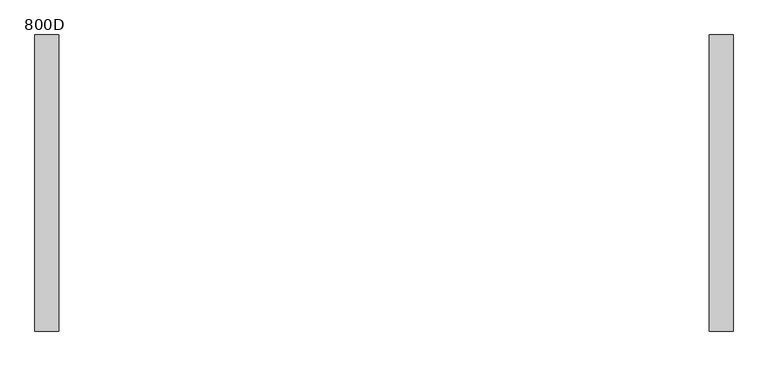
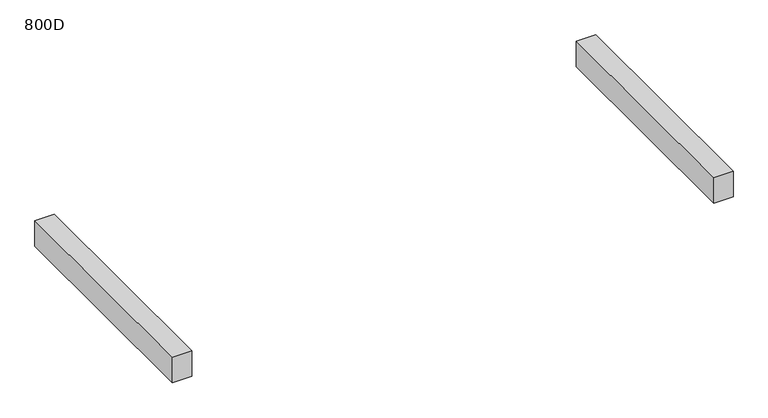
"""IFC4 building model written with IfcOpenShell, lengths in millimetres: furniture geometry, 800D."""

from ifc_helpers import new_model, si_unit, frame, origin, place, context, project, spatial, polyline, outline, extrude, source, transform, mapped, element, save


def furniture_800d_995001d7(model_context):
    return source(origin(), model_context, "Body", "SweptSolid", [
        extrude(outline(polyline([(-809.9999968, -369.0), (-870.0, -369.0), (-870.0, 369.0), (-809.9999968, 369.0), (-809.9999968, -369.0)])), frame((0.0, 0.0, 435.0), z_axis=(0.0, 0.0, 1.0), x_axis=(1.0, 0.0, 0.0)), (0.0, 0.0, 1.0), 84.0),
        extrude(outline(polyline([(870.0, -369.0), (809.9999968, -369.0), (809.9999968, 369.0), (870.0, 369.0), (870.0, -369.0)])), frame((0.0, 0.0, 435.0), z_axis=(0.0, 0.0, 1.0), x_axis=(1.0, 0.0, 0.0)), (0.0, 0.0, 1.0), 84.0),
    ])


if __name__ == "__main__":
    model = new_model("IFC4")
    model_context = context("Model", 3, world=origin())
    ifc_project = project(units=[si_unit("LENGTHUNIT", "METRE", prefix="MILLI")], contexts=[model_context])
    site = spatial("IfcSite", under=ifc_project)
    building = spatial("IfcBuilding", under=site)
    placement = place(None, origin())
    furniture_800d_shape = furniture_800d_995001d7(model_context)
    element("IfcFurniture", 1, ObjectType="800D", at=placement, inside=building, context=model_context, shape_type="MappedRepresentation", body=[
        mapped(furniture_800d_shape, transform((0.0, 0.0, 0.0), x_axis=(1.0, 0.0, 0.0), y_axis=(0.0, 1.0, 0.0), z_axis=(0.0, 0.0, 1.0))),
    ])
    save(model, "model.ifc")
